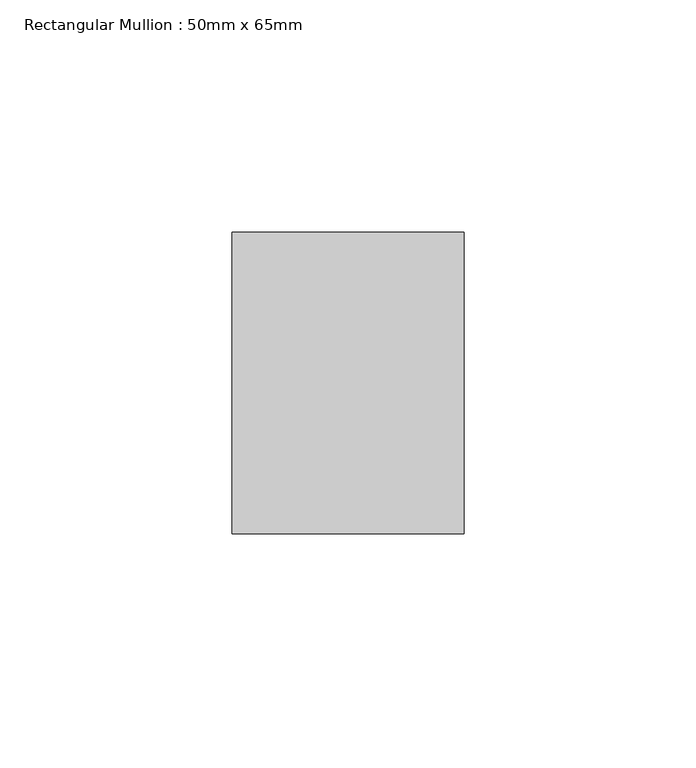
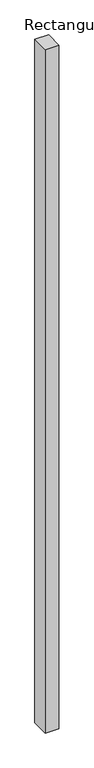
"""IFC4 building model written with IfcOpenShell, lengths in millimetres: member geometry, Rectangular Mullion : 50mm x 65mm."""

from ifc_helpers import new_model, si_unit, frame, origin, place, context, project, spatial, polyline, outline, extrude, source, transform, mapped, element, save


def rectangular_mullion_50mm_x_65mm_cd8f1365(model_context):
    return source(origin(), model_context, "Body", "SweptSolid", [
        extrude(outline(polyline([(25.0, 32.5), (25.0, -32.5), (-25.0, -32.5), (-25.0, 32.5), (25.0, 32.5)])), frame((0.0, 0.0, -2625.0748581), z_axis=(0.0, 0.0, 1.0), x_axis=(1.0, 0.0, 0.0)), (0.0, 0.0, 1.0), 2625.0748581),
    ])


if __name__ == "__main__":
    model = new_model("IFC4")
    model_context = context("Model", 3, world=origin())
    ifc_project = project(units=[si_unit("LENGTHUNIT", "METRE", prefix="MILLI")], contexts=[model_context])
    site = spatial("IfcSite", under=ifc_project)
    building = spatial("IfcBuilding", under=site)
    placement = place(None, origin())
    rectangular_mullion_50mm_x_65mm_shape = rectangular_mullion_50mm_x_65mm_cd8f1365(model_context)
    element("IfcMember", 1, ObjectType="Rectangular Mullion : 50mm x 65mm", at=placement, inside=building, context=model_context, shape_type="MappedRepresentation", body=[
        mapped(rectangular_mullion_50mm_x_65mm_shape, transform((0.0, 0.0, 0.0), x_axis=(1.0, 0.0, 0.0), y_axis=(0.0, 1.0, 0.0), z_axis=(0.0, 0.0, 1.0))),
    ])
    save(model, "model.ifc")
